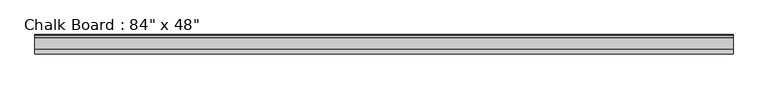
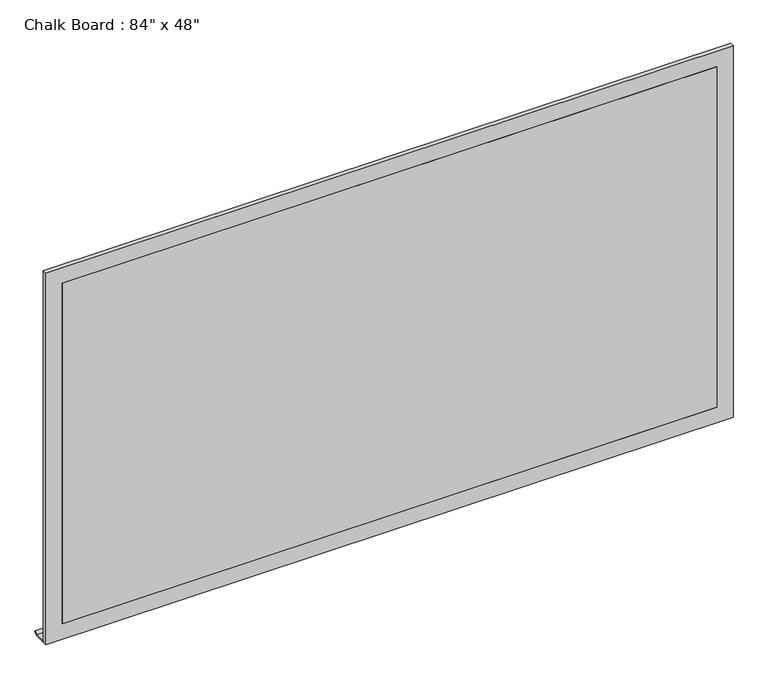
"""IFC4 building model written with IfcOpenShell, lengths in millimetres: proxy geometry."""

import ifcopenshell
import ifcopenshell.guid

model = None  # the IFC model being written
_history = None  # IfcOwnerHistory: only IFC2X3 demands one
_inside = {}  # id of a spatial element -> (the spatial element, [elements in it])
_under = {}  # id of a project, library or spatial element -> (it, [spatial elements below it])
_declared = {}  # id of a project -> (the project, [libraries it declares])
_typed = {}  # id of a type object -> (the type object, [elements of that type])
_made_of = {}  # id of a material, layer set ... -> (it, [elements and type objects made of it])


def new_model(schema):
    """Start an empty IFC model of exactly this schema.

    Asked for "IFC4X3", IfcOpenShell would pick the latest addendum, in which some entities
    have other attributes; the version numbers below select the first issue.
    IFC2X3 requires an IfcOwnerHistory on every rooted entity: one is made here for all.
    """
    global model, _history
    if schema == "IFC4X3":
        model = ifcopenshell.file(schema_version=(4, 3, 0, 0))
    else:
        model = ifcopenshell.file(schema=schema)
    _inside.clear()
    _under.clear()
    _declared.clear()
    _typed.clear()
    _made_of.clear()
    _history = None
    if model.schema == "IFC2X3":
        org = make("IfcOrganization", Name="unknown")
        user = make(
            "IfcPersonAndOrganization",
            ThePerson=make("IfcPerson", FamilyName="unknown"),
            TheOrganization=org,
        )
        app = make(
            "IfcApplication",
            ApplicationDeveloper=org,
            Version="unknown",
            ApplicationFullName="unknown",
            ApplicationIdentifier="unknown",
        )
        _history = make(
            "IfcOwnerHistory",
            OwningUser=user,
            OwningApplication=app,
            ChangeAction="ADDED",
            CreationDate=0,
        )
    return model


def make(cls, **values):
    """One entity of the class cls with the attributes given. An attribute that is None is left unset."""
    return model.create_entity(
        cls, **{name: value for name, value in values.items() if value is not None}
    )


def rooted(cls, **values):
    """An entity with a GlobalId (a new one), such as an element, a storey or a relation."""
    return make(cls, GlobalId=ifcopenshell.guid.new(), OwnerHistory=_history, **values)


def si_unit(unit_type, name, prefix=None):
    """IfcSIUnit, for example si_unit("LENGTHUNIT", "METRE", prefix="MILLI")."""
    return make("IfcSIUnit", UnitType=unit_type, Prefix=prefix, Name=name)


def assignment(units):
    """IfcUnitAssignment: the units of a project."""
    return None if units is None else make("IfcUnitAssignment", Units=units)


def point(xyz):
    """IfcCartesianPoint."""
    return None if xyz is None else make("IfcCartesianPoint", Coordinates=xyz)


def direction(xyz):
    """IfcDirection."""
    return None if xyz is None else make("IfcDirection", DirectionRatios=xyz)


def frame(location, z_axis=None, x_axis=None):
    """IfcAxis2Placement3D, a coordinate frame: its origin and axes. An axis left out is left unset."""
    return make(
        "IfcAxis2Placement3D",
        Location=point(location),
        Axis=direction(z_axis),
        RefDirection=direction(x_axis),
    )


def origin():
    """The frame at (0, 0, 0) with its axes left unset."""
    return frame((0.0, 0.0, 0.0))


def place(relative_to, where):
    """IfcLocalPlacement: puts the frame where relative to a parent placement (None: the world)."""
    return make(
        "IfcLocalPlacement", PlacementRelTo=relative_to, RelativePlacement=where
    )


def context(
    kind, dimensions, precision=None, world=None, true_north=None, identifier=None
):
    """IfcGeometricRepresentationContext, for example the 3D "Model" context."""
    return make(
        "IfcGeometricRepresentationContext",
        ContextIdentifier=identifier,
        ContextType=kind,
        CoordinateSpaceDimension=dimensions,
        Precision=precision,
        WorldCoordinateSystem=world,
        TrueNorth=true_north,
    )


def project(units=None, contexts=None):
    """IfcProject with its units and contexts."""
    return rooted(
        "IfcProject",
        Name="project",
        RepresentationContexts=contexts,
        UnitsInContext=assignment(units),
    )


def spatial(cls, under=None, at=None, **own):
    """A site, building, storey or space (cls), placed at a placement, below another one or the project."""
    s = rooted(cls, ObjectPlacement=at, **own)
    if under is not None:
        _under.setdefault(under.id(), (under, []))[1].append(s)
    return s


def polyline(points):
    """IfcPolyline through the points."""
    return make("IfcPolyline", Points=[point(p) for p in points])


def outline(outer, holes=None, kind="AREA"):
    """IfcArbitraryClosedProfileDef: a profile drawn as a closed curve; with holes, ...WithVoids."""
    if holes is None:
        return make("IfcArbitraryClosedProfileDef", ProfileType=kind, OuterCurve=outer)
    return make(
        "IfcArbitraryProfileDefWithVoids",
        ProfileType=kind,
        OuterCurve=outer,
        InnerCurves=holes,
    )


def extrude(swept, where, along, depth):
    """IfcExtrudedAreaSolid: the profile swept, set in the frame where, extruded along a direction by depth."""
    return make(
        "IfcExtrudedAreaSolid",
        SweptArea=swept,
        Position=where,
        ExtrudedDirection=direction(along),
        Depth=depth,
    )


def shape(context_of_items, identifier, shape_type, items):
    """IfcShapeRepresentation: the items that make up one representation, for example the "Body"."""
    return make(
        "IfcShapeRepresentation",
        ContextOfItems=context_of_items,
        RepresentationIdentifier=identifier,
        RepresentationType=shape_type,
        Items=items,
    )


def source(mapping_origin, context_of_items, identifier, shape_type, items):
    """IfcRepresentationMap: a shape defined once, which mapped items show again and again."""
    return make(
        "IfcRepresentationMap",
        MappingOrigin=mapping_origin,
        MappedRepresentation=shape(context_of_items, identifier, shape_type, items),
    )


def transform(
    local_origin,
    x_axis=None,
    y_axis=None,
    z_axis=None,
    scale=None,
    scale2=None,
    scale3=None,
    uniform=True,
):
    """IfcCartesianTransformationOperator3D, or its non-uniform kind. x_axis, y_axis, z_axis: its Axis1, 2, 3."""
    if uniform:
        return make(
            "IfcCartesianTransformationOperator3D",
            Axis1=direction(x_axis),
            Axis2=direction(y_axis),
            LocalOrigin=point(local_origin),
            Scale=scale,
            Axis3=direction(z_axis),
        )
    return make(
        "IfcCartesianTransformationOperator3DnonUniform",
        Axis1=direction(x_axis),
        Axis2=direction(y_axis),
        LocalOrigin=point(local_origin),
        Scale=scale,
        Axis3=direction(z_axis),
        Scale2=scale2,
        Scale3=scale3,
    )


def mapped(mapping_source, mapping_target):
    """IfcMappedItem: shows the shape of a source again, moved by a transform."""
    return make(
        "IfcMappedItem", MappingSource=mapping_source, MappingTarget=mapping_target
    )


def made_of(thing, what):
    """Note that an element or type object is made of a material, layer set ...; save() writes the relation."""
    if what is not None:
        _made_of.setdefault(what.id(), (what, []))[1].append(thing)
    return thing


def element(
    cls,
    number,
    at=None,
    inside=None,
    cuts=None,
    type_object=None,
    material=None,
    context=None,
    identifier="Body",
    shape_type=None,
    held_by="IfcProductDefinitionShape",
    body=None,
    shapes=None,
    **own,
):
    """One element of the class cls, such as IfcWall. Its Tag is "e" and its number.

    at: its placement. inside: the storey or other place that contains it. cuts: it is an
    opening in that element (IfcRelVoidsElement). A single representation is given by context,
    identifier, shape_type and body (its items); several are given by shapes. held_by: the class
    of the entity that holds the representations. save() writes the other relations.
    """
    e = rooted(cls, Tag="e%d" % number, ObjectPlacement=at, **own)
    if body is not None:
        shapes = [shape(context, identifier, shape_type, body)]
    if shapes is not None:
        e.Representation = make(held_by, Representations=shapes)
    if inside is not None:
        _inside.setdefault(inside.id(), (inside, []))[1].append(e)
    if cuts is not None:
        rooted(
            "IfcRelVoidsElement", RelatingBuildingElement=cuts, RelatedOpeningElement=e
        )
    if type_object is not None:
        _typed.setdefault(type_object.id(), (type_object, []))[1].append(e)
    return made_of(e, material)


def aggregate(whole, parts):
    """IfcRelAggregates: a whole, such as a stair, and the parts it consists of."""
    return rooted("IfcRelAggregates", RelatingObject=whole, RelatedObjects=parts)


def save(model, path):
    """Write the relations noted so far, then the file.

    IfcRelAggregates (storeys below a building ...), IfcRelContainedInSpatialStructure (elements
    in a storey), IfcRelDefinesByType, IfcRelAssociatesMaterial and IfcRelDeclares: one each for
    every whole, place, type object, material and project.
    """
    for whole, parts in _under.values():
        aggregate(whole, parts)
    for where, things in _inside.values():
        rooted(
            "IfcRelContainedInSpatialStructure",
            RelatedElements=things,
            RelatingStructure=where,
        )
    for kind, things in _typed.values():
        rooted("IfcRelDefinesByType", RelatedObjects=things, RelatingType=kind)
    for what, things in _made_of.values():
        rooted("IfcRelAssociatesMaterial", RelatedObjects=things, RelatingMaterial=what)
    for by, libraries in _declared.values():
        rooted("IfcRelDeclares", RelatingContext=by, RelatedDefinitions=libraries)
    model.write(path)


def proxy_b623f67f(model_context):
    return source(origin(), model_context, "Body", "SweptSolid", [
        extrude(outline(polyline([(276.5374183, 685.9677599), (239.7125, 685.9677599), (239.7125, 689.2806122), (275.3931303, 689.2806122), (283.2891043, 697.1765861), (285.5176744, 694.948016), (276.5374183, 685.9677599)])), frame((-1163.7484337, 0.0, 0.0), z_axis=(1.0, 0.0, 0.0), x_axis=(0.0, 1.0, 0.0)), (0.0, 0.0, 1.0), 2133.6),
        extrude(outline(polyline([(-1112.9484337, 233.3625), (919.0515663, 233.3625), (919.0515663, 227.0125), (-1112.9484337, 227.0125), (-1112.9484337, 233.3625)])), frame((0.0, 0.0, 736.6), z_axis=(0.0, 0.0, 1.0), x_axis=(1.0, 0.0, 0.0)), (0.0, 0.0, 1.0), 1117.6),
        extrude(outline(polyline([(1905.0, -1163.7484337), (685.8, -1163.7484337), (685.8, 969.8515663), (1905.0, 969.8515663), (1905.0, -1163.7484337)]), holes=[polyline([(1854.2, -1112.9484337), (1854.2, 919.0515663), (736.6, 919.0515663), (736.6, -1112.9484337), (1854.2, -1112.9484337)])]), frame((0.0, 227.0125, 0.0), z_axis=(0.0, 1.0, 0.0), x_axis=(0.0, 0.0, 1.0)), (0.0, 0.0, 1.0), 12.7),
    ])


if __name__ == "__main__":
    model = new_model("IFC4")
    model_context = context("Model", 3, world=origin())
    ifc_project = project(units=[si_unit("LENGTHUNIT", "METRE", prefix="MILLI")], contexts=[model_context])
    site = spatial("IfcSite", under=ifc_project)
    building = spatial("IfcBuilding", under=site)
    placement = place(None, origin())
    proxy_shape = proxy_b623f67f(model_context)
    element("IfcBuildingElementProxy", 1, Name="Chalk Board : 84\" x 48\"", ObjectType="Chalk Board : 84\" x 48\"", at=placement, inside=building, context=model_context, shape_type="MappedRepresentation", body=[
        mapped(proxy_shape, transform((0.0, 0.0, 0.0), x_axis=(1.0, 0.0, 0.0), y_axis=(0.0, 1.0, 0.0), z_axis=(0.0, 0.0, 1.0))),
    ])
    save(model, "model.ifc")
